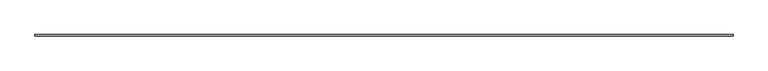
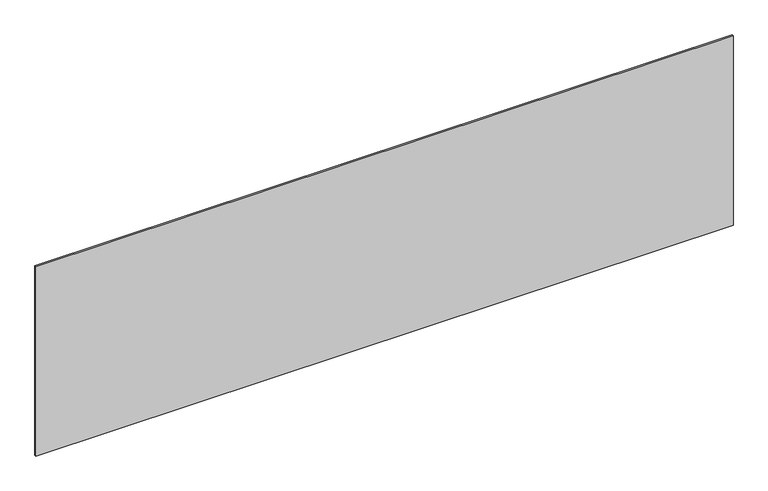
"""IFC4 building model written with IfcOpenShell, lengths in millimetres: plate geometry."""

from ifc_helpers import new_model, si_unit, origin, origin_with_axes, place, context, project, spatial, polyline, outline, extrude, source, transform, mapped, element, save


def plate_a1dfd6cd(model_context):
    return source(origin(), model_context, "Body", "SweptSolid", [
        extrude(outline(polyline([(2281.6666667, -5.0), (-2281.6666667, -5.0), (-2281.6666667, 5.0), (2281.6666667, 5.0), (2281.6666667, -5.0)])), origin_with_axes(), (0.0, 0.0, 1.0), 1309.8788902),
    ])


if __name__ == "__main__":
    model = new_model("IFC4")
    model_context = context("Model", 3, world=origin())
    ifc_project = project(units=[si_unit("LENGTHUNIT", "METRE", prefix="MILLI")], contexts=[model_context])
    site = spatial("IfcSite", under=ifc_project)
    building = spatial("IfcBuilding", under=site)
    placement = place(None, origin())
    plate_shape = plate_a1dfd6cd(model_context)
    element("IfcPlate", 1, at=placement, inside=building, context=model_context, shape_type="MappedRepresentation", body=[
        mapped(plate_shape, transform((0.0, 0.0, 0.0), x_axis=(1.0, 0.0, 0.0), y_axis=(0.0, 1.0, 0.0), z_axis=(0.0, 0.0, 1.0))),
    ])
    save(model, "model.ifc")
